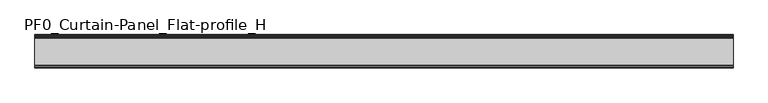
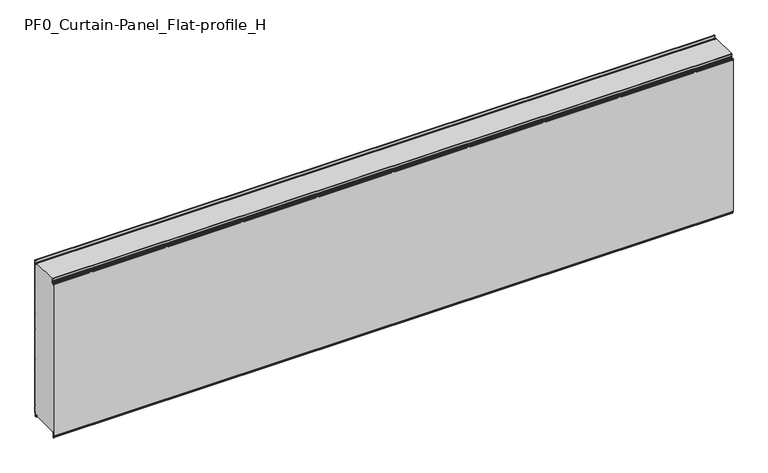
"""IFC4 building model written with IfcOpenShell, lengths in millimetres: plate geometry, PF0_Curtain-Panel_Flat-profile_H."""

from ifc_helpers import new_model, si_unit, point, frame, frame_2d, origin, place, context, project, spatial, polyline, circle_curve, trimmed, segment, composite_curve, outline, extrude, source, transform, mapped, element, save
from ifc_brep_helpers import plane_surface, cylinder_surface, revolved_surface, advanced_brep


def pf0_curtain_panel_flat_profile_h_5148ccc6(model_context):
    return source(origin(), model_context, "Body", "SolidModel", [
        advanced_brep(
        [(-2100.0, -15.878557, 0.0), (-2100.0, -20.0, 0.0), (-2100.0, -20.0, 0.8), (-2100.0, -15.878557, 0.8), (-2100.0, -13.1503208, -1.370137), (-2100.0, -11.728236, -7.529863), (-2100.0, -6.2, -6.9), (-2100.0, -6.2, 8.6), (-2100.0, -3.4, 11.4), (-2100.0, -2.0, 11.4), (-2100.0, -0.8, 12.6), (-2100.0, -0.8, 57.6856412), (-2100.0, -2.482606, 60.6), (-2100.0, -0.8, 63.5143588), (-2100.0, -0.8, 157.6856412), (-2100.0, -2.482606, 160.6), (-2100.0, -0.8, 163.5143588), (-2100.0, -0.8, 257.6856412), (-2100.0, -2.482606, 260.6), (-2100.0, -0.8, 263.5143588), (-2100.0, -0.8, 357.6856412), (-2100.0, -2.482606, 360.6), (-2100.0, -0.8, 363.5143588), (-2100.0, -0.8, 457.6856412), (-2100.0, -2.482606, 460.6), (-2100.0, -0.8, 463.5143588), (-2100.0, -0.8, 557.6856412), (-2100.0, -2.482606, 560.6), (-2100.0, -0.8, 563.5143588), (-2100.0, -0.8, 657.6856412), (-2100.0, -2.482606, 660.6), (-2100.0, -0.8, 663.5143588), (-2100.0, -0.8, 757.6856412), (-2100.0, -2.482606, 760.6), (-2100.0, -0.8, 763.5143588), (-2100.0, -0.8, 857.6856412), (-2100.0, -2.482606, 860.6), (-2100.0, -0.8, 863.5143588), (-2100.0, -0.8, 957.6856412), (-2100.0, -2.482606, 960.6), (-2100.0, -0.8, 963.5143588), (-2100.0, -0.8, 1008.1), (-2100.0, -4.2, 1008.1), (-2100.0, -4.2, 991.1), (-2100.0, -13.7270771, 990.2664884), (-2100.0, -14.8636953, 996.7125669), (-2100.0, -16.6363492, 998.2), (-2100.0, -20.0, 998.2), (-2100.0, -20.0, 999.0), (-2100.0, -16.6363492, 999.0), (-2100.0, -14.0758491, 996.8514855), (-2100.0, -12.939231, 990.405407), (-2100.0, -5.0, 991.1), (-2100.0, -5.0, 1008.1), (-2100.0, -2.5, 1010.6), (-2100.0, 0.0, 1008.1), (-2100.0, 0.0, 963.2999995), (-2100.0, -1.5588455, 960.6), (-2100.0, 0.0, 957.9000005), (-2100.0, 0.0, 863.2999995), (-2100.0, -1.5588455, 860.6), (-2100.0, 0.0, 857.9000005), (-2100.0, 0.0, 763.2999995), (-2100.0, -1.5588455, 760.6), (-2100.0, 0.0, 757.9000005), (-2100.0, 0.0, 663.2999995), (-2100.0, -1.5588455, 660.6), (-2100.0, 0.0, 657.9000005), (-2100.0, 0.0, 563.2999995), (-2100.0, -1.5588455, 560.6), (-2100.0, 0.0, 557.9000005), (-2100.0, 0.0, 463.2999995), (-2100.0, -1.5588455, 460.6), (-2100.0, 0.0, 457.9000005), (-2100.0, 0.0, 363.2999995), (-2100.0, -1.5588455, 360.6), (-2100.0, 0.0, 357.9000005), (-2100.0, 0.0, 263.2999995), (-2100.0, -1.5588455, 260.6), (-2100.0, 0.0, 257.9000005), (-2100.0, 0.0, 163.2999995), (-2100.0, -1.5588455, 160.6), (-2100.0, 0.0, 157.9000005), (-2100.0, 0.0, 63.2999995), (-2100.0, -1.5588455, 60.6), (-2100.0, 0.0, 57.9000005), (-2100.0, 0.0, 12.6), (-2100.0, -2.0, 10.6), (-2100.0, -3.4, 10.6), (-2100.0, -5.4, 8.6), (-2100.0, -5.4, -6.9), (-2100.0, -12.5077322, -7.7098239), (-2100.0, -13.929817, -1.5500979), (2100.0, -15.878557, 0.0), (2100.0, -13.9298169, -1.5500978), (2100.0, -12.507732, -7.7098239), (2100.0, -5.4, -6.9), (2100.0, -5.4, 8.6), (2100.0, -3.4, 10.6), (2100.0, -2.0, 10.6), (2100.0, 0.0, 12.6), (2100.0, 0.0, 57.9000005), (2100.0, -1.5588455, 60.6), (2100.0, 0.0, 63.2999995), (2100.0, 0.0, 157.9000005), (2100.0, -1.5588455, 160.6), (2100.0, 0.0, 163.2999995), (2100.0, 0.0, 257.9000005), (2100.0, -1.5588455, 260.6), (2100.0, 0.0, 263.2999995), (2100.0, 0.0, 357.9000005), (2100.0, -1.5588455, 360.6), (2100.0, 0.0, 363.2999995), (2100.0, 0.0, 457.9000005), (2100.0, -1.5588455, 460.6), (2100.0, 0.0, 463.2999995), (2100.0, 0.0, 557.9000005), (2100.0, -1.5588455, 560.6), (2100.0, 0.0, 563.2999995), (2100.0, 0.0, 657.9000005), (2100.0, -1.5588455, 660.6), (2100.0, 0.0, 663.2999995), (2100.0, 0.0, 757.9000005), (2100.0, -1.5588455, 760.6), (2100.0, 0.0, 763.2999995), (2100.0, 0.0, 857.9000005), (2100.0, -1.5588455, 860.6), (2100.0, 0.0, 863.2999995), (2100.0, 0.0, 957.9000005), (2100.0, -1.5588455, 960.6), (2100.0, 0.0, 963.2999995), (2100.0, 0.0, 1008.1), (2100.0, -2.5, 1010.6), (2100.0, -5.0, 1008.1), (2100.0, -5.0, 991.1), (2100.0, -12.939231, 990.405407), (2100.0, -14.0758491, 996.8514855), (2100.0, -16.6363492, 999.0), (2100.0, -20.0, 999.0), (2100.0, -20.0, 998.2), (2100.0, -16.6363492, 998.2), (2100.0, -14.8636953, 996.7125669), (2100.0, -13.7270772, 990.2664884), (2100.0, -4.2, 991.1), (2100.0, -4.2, 1008.1), (2100.0, -0.8, 1008.1), (2100.0, -0.8, 963.5143588), (2100.0, -2.482606, 960.6), (2100.0, -0.8, 957.6856412), (2100.0, -0.8, 863.5143588), (2100.0, -2.482606, 860.6), (2100.0, -0.8, 857.6856412), (2100.0, -0.8, 763.5143588), (2100.0, -2.482606, 760.6), (2100.0, -0.8, 757.6856412), (2100.0, -0.8, 663.5143588), (2100.0, -2.482606, 660.6), (2100.0, -0.8, 657.6856412), (2100.0, -0.8, 563.5143588), (2100.0, -2.482606, 560.6), (2100.0, -0.8, 557.6856412), (2100.0, -0.8, 463.5143588), (2100.0, -2.482606, 460.6), (2100.0, -0.8, 457.6856412), (2100.0, -0.8, 363.5143588), (2100.0, -2.482606, 360.6), (2100.0, -0.8, 357.6856412), (2100.0, -0.8, 263.5143588), (2100.0, -2.482606, 260.6), (2100.0, -0.8, 257.6856412), (2100.0, -0.8, 163.5143588), (2100.0, -2.482606, 160.6), (2100.0, -0.8, 157.6856412), (2100.0, -0.8, 63.5143588), (2100.0, -2.482606, 60.6), (2100.0, -0.8, 57.6856412), (2100.0, -0.8, 12.6), (2100.0, -2.0, 11.4), (2100.0, -3.4, 11.4), (2100.0, -6.2, 8.6), (2100.0, -6.2, -6.9), (2100.0, -11.7282362, -7.529863), (2100.0, -13.150321, -1.370137), (2100.0, -15.878557, 0.8), (2100.0, -20.0, 0.8), (2100.0, -20.0, 0.0)],
        [
            (0, 1),
            (1, 2),
            (2, 3),
            (3, 4, circle_curve(frame((-2100.0, -15.878557, -2.0), z_axis=(-1.0, 0.0, 0.0), x_axis=(0.0, 0.0, 1.0)), 2.8)),
            (4, 5),
            (5, 6, circle_curve(frame((-2100.0, -9.0, -6.9), z_axis=(1.0, 0.0, 0.0), x_axis=(0.0, 0.0, 1.0)), 2.8)),
            (6, 7),
            (7, 8, circle_curve(frame((-2100.0, -3.4, 8.6), z_axis=(-1.0, 0.0, 0.0), x_axis=(0.0, 0.0, 1.0)), 2.8)),
            (8, 9),
            (9, 10, circle_curve(frame((-2100.0, -2.0, 12.6), z_axis=(1.0, 0.0, 0.0), x_axis=(0.0, 0.0, 1.0)), 1.2)),
            (10, 11),
            (11, 12),
            (12, 13),
            (13, 14),
            (14, 15),
            (15, 16),
            (16, 17),
            (17, 18),
            (18, 19),
            (19, 20),
            (20, 21),
            (21, 22),
            (22, 23),
            (23, 24),
            (24, 25),
            (25, 26),
            (26, 27),
            (27, 28),
            (28, 29),
            (29, 30),
            (30, 31),
            (31, 32),
            (32, 33),
            (33, 34),
            (34, 35),
            (35, 36),
            (36, 37),
            (37, 38),
            (38, 39),
            (39, 40),
            (40, 41),
            (41, 42, circle_curve(frame((-2100.0, -2.5, 1008.1), z_axis=(1.0, 0.0, 0.0), x_axis=(0.0, 0.0, 1.0)), 1.7)),
            (42, 43),
            (43, 44, circle_curve(frame((-2100.0, -9.0, 991.1), z_axis=(-1.0, 0.0, 0.0), x_axis=(0.0, 0.0, 1.0)), 4.8)),
            (44, 45),
            (45, 46, circle_curve(frame((-2100.0, -16.6363492, 996.4), z_axis=(1.0, 0.0, 0.0), x_axis=(0.0, 0.0, 1.0)), 1.8)),
            (46, 47),
            (47, 48),
            (48, 49),
            (49, 50, circle_curve(frame((-2100.0, -16.6363492, 996.4), z_axis=(-1.0, 0.0, 0.0), x_axis=(0.0, 0.0, 1.0)), 2.6)),
            (50, 51),
            (51, 52, circle_curve(frame((-2100.0, -9.0, 991.1), z_axis=(1.0, 0.0, 0.0), x_axis=(0.0, 0.0, 1.0)), 4.0)),
            (52, 53),
            (53, 54, circle_curve(frame((-2100.0, -2.5, 1008.1), z_axis=(-1.0, 0.0, 0.0), x_axis=(0.0, 0.0, 1.0)), 2.5)),
            (54, 55, circle_curve(frame((-2100.0, -2.5, 1008.1), z_axis=(-1.0, 0.0, 0.0), x_axis=(0.0, 0.0, 1.0)), 2.5)),
            (55, 56),
            (56, 57),
            (57, 58),
            (58, 59),
            (59, 60),
            (60, 61),
            (61, 62),
            (62, 63),
            (63, 64),
            (64, 65),
            (65, 66),
            (66, 67),
            (67, 68),
            (68, 69),
            (69, 70),
            (70, 71),
            (71, 72),
            (72, 73),
            (73, 74),
            (74, 75),
            (75, 76),
            (76, 77),
            (77, 78),
            (78, 79),
            (79, 80),
            (80, 81),
            (81, 82),
            (82, 83),
            (83, 84),
            (84, 85),
            (85, 86),
            (86, 87, circle_curve(frame((-2100.0, -2.0, 12.6), z_axis=(-1.0, 0.0, 0.0), x_axis=(0.0, 0.0, 1.0)), 2.0)),
            (87, 88),
            (88, 89, circle_curve(frame((-2100.0, -3.4, 8.6), z_axis=(1.0, 0.0, 0.0), x_axis=(0.0, 0.0, 1.0)), 2.0)),
            (89, 90),
            (90, 91, circle_curve(frame((-2100.0, -9.0, -6.9), z_axis=(-1.0, 0.0, 0.0), x_axis=(0.0, 0.0, 1.0)), 3.6)),
            (91, 92),
            (92, 0, circle_curve(frame((-2100.0, -15.878557, -2.0), z_axis=(1.0, 0.0, 0.0), x_axis=(0.0, 0.0, 1.0)), 2.0)),
            (93, 94, circle_curve(frame((2100.0, -15.878557, -2.0), z_axis=(-1.0, 0.0, 0.0), x_axis=(0.0, 0.0, 1.0)), 2.0)),
            (94, 95),
            (95, 96, circle_curve(frame((2100.0, -9.0, -6.9), z_axis=(1.0, 0.0, 0.0), x_axis=(0.0, 0.0, 1.0)), 3.6)),
            (96, 97),
            (97, 98, circle_curve(frame((2100.0, -3.4, 8.6), z_axis=(-1.0, 0.0, 0.0), x_axis=(0.0, 0.0, 1.0)), 2.0)),
            (98, 99),
            (99, 100, circle_curve(frame((2100.0, -2.0, 12.6), z_axis=(1.0, 0.0, 0.0), x_axis=(0.0, 0.0, 1.0)), 2.0)),
            (100, 101),
            (101, 102),
            (102, 103),
            (103, 104),
            (104, 105),
            (105, 106),
            (106, 107),
            (107, 108),
            (108, 109),
            (109, 110),
            (110, 111),
            (111, 112),
            (112, 113),
            (113, 114),
            (114, 115),
            (115, 116),
            (116, 117),
            (117, 118),
            (118, 119),
            (119, 120),
            (120, 121),
            (121, 122),
            (122, 123),
            (123, 124),
            (124, 125),
            (125, 126),
            (126, 127),
            (127, 128),
            (128, 129),
            (129, 130),
            (130, 131),
            (131, 132, circle_curve(frame((2100.0, -2.5, 1008.1), z_axis=(1.0, 0.0, 0.0), x_axis=(0.0, 0.0, 1.0)), 2.5)),
            (132, 133, circle_curve(frame((2100.0, -2.5, 1008.1), z_axis=(1.0, 0.0, 0.0), x_axis=(0.0, 0.0, 1.0)), 2.5)),
            (133, 134),
            (134, 135, circle_curve(frame((2100.0, -9.0, 991.1), z_axis=(-1.0, 0.0, 0.0), x_axis=(0.0, 0.0, 1.0)), 4.0)),
            (135, 136),
            (136, 137, circle_curve(frame((2100.0, -16.6363492, 996.4), z_axis=(1.0, 0.0, 0.0), x_axis=(0.0, 0.0, 1.0)), 2.6)),
            (137, 138),
            (138, 139),
            (139, 140),
            (140, 141, circle_curve(frame((2100.0, -16.6363492, 996.4), z_axis=(-1.0, 0.0, 0.0), x_axis=(0.0, 0.0, 1.0)), 1.8)),
            (141, 142),
            (142, 143, circle_curve(frame((2100.0, -9.0, 991.1), z_axis=(1.0, 0.0, 0.0), x_axis=(0.0, 0.0, 1.0)), 4.8)),
            (143, 144),
            (144, 145, circle_curve(frame((2100.0, -2.5, 1008.1), z_axis=(-1.0, 0.0, 0.0), x_axis=(0.0, 0.0, 1.0)), 1.7)),
            (145, 146),
            (146, 147),
            (147, 148),
            (148, 149),
            (149, 150),
            (150, 151),
            (151, 152),
            (152, 153),
            (153, 154),
            (154, 155),
            (155, 156),
            (156, 157),
            (157, 158),
            (158, 159),
            (159, 160),
            (160, 161),
            (161, 162),
            (162, 163),
            (163, 164),
            (164, 165),
            (165, 166),
            (166, 167),
            (167, 168),
            (168, 169),
            (169, 170),
            (170, 171),
            (171, 172),
            (172, 173),
            (173, 174),
            (174, 175),
            (175, 176),
            (176, 177, circle_curve(frame((2100.0, -2.0, 12.6), z_axis=(-1.0, 0.0, 0.0), x_axis=(0.0, 0.0, 1.0)), 1.2)),
            (177, 178),
            (178, 179, circle_curve(frame((2100.0, -3.4, 8.6), z_axis=(1.0, 0.0, 0.0), x_axis=(0.0, 0.0, 1.0)), 2.8)),
            (179, 180),
            (180, 181, circle_curve(frame((2100.0, -9.0, -6.9), z_axis=(-1.0, 0.0, 0.0), x_axis=(0.0, 0.0, 1.0)), 2.8)),
            (181, 182),
            (182, 183, circle_curve(frame((2100.0, -15.878557, -2.0), z_axis=(1.0, 0.0, 0.0), x_axis=(0.0, 0.0, 1.0)), 2.8)),
            (183, 184),
            (184, 185),
            (185, 93),
            (0, 93),
            (185, 1),
            (184, 2),
            (183, 3),
            (182, 4),
            (181, 5),
            (180, 6),
            (179, 7),
            (178, 8),
            (177, 9),
            (176, 10),
            (175, 11),
            (174, 12),
            (173, 13),
            (172, 14),
            (171, 15),
            (170, 16),
            (169, 17),
            (168, 18),
            (167, 19),
            (166, 20),
            (165, 21),
            (164, 22),
            (163, 23),
            (162, 24),
            (161, 25),
            (160, 26),
            (159, 27),
            (158, 28),
            (157, 29),
            (156, 30),
            (155, 31),
            (154, 32),
            (153, 33),
            (152, 34),
            (151, 35),
            (150, 36),
            (149, 37),
            (148, 38),
            (147, 39),
            (146, 40),
            (145, 41),
            (144, 42),
            (143, 43),
            (142, 44),
            (141, 45),
            (140, 46),
            (139, 47),
            (138, 48),
            (137, 49),
            (136, 50),
            (135, 51),
            (134, 52),
            (133, 53),
            (131, 55),
            (130, 56),
            (129, 57),
            (128, 58),
            (127, 59),
            (126, 60),
            (125, 61),
            (124, 62),
            (123, 63),
            (122, 64),
            (121, 65),
            (120, 66),
            (119, 67),
            (118, 68),
            (117, 69),
            (116, 70),
            (115, 71),
            (114, 72),
            (113, 73),
            (112, 74),
            (111, 75),
            (110, 76),
            (109, 77),
            (108, 78),
            (107, 79),
            (106, 80),
            (105, 81),
            (104, 82),
            (103, 83),
            (102, 84),
            (101, 85),
            (100, 86),
            (99, 87),
            (98, 88),
            (97, 89),
            (96, 90),
            (95, 91),
            (94, 92),
        ],
        [
            plane_surface(frame((-2100.0, 0.0, 0.0), z_axis=(-1.0, 0.0, 0.0), x_axis=(0.0, 1.0, 0.0))),
            plane_surface(frame((2100.0, 0.0, 0.0), z_axis=(1.0, 0.0, 0.0), x_axis=(0.0, 1.0, 0.0))),
            plane_surface(frame((-2100.0, -15.878557, 0.0), z_axis=(0.0, 0.0, -1.0), x_axis=(1.0, 0.0, 0.0))),
            plane_surface(frame((-2100.0, -20.0, 0.0), z_axis=(0.0, -1.0, 0.0), x_axis=(1.0, 0.0, 0.0))),
            plane_surface(frame((-2100.0, -20.0, 0.8), z_axis=(0.0, 0.0, 1.0), x_axis=(1.0, 0.0, 0.0))),
            cylinder_surface(frame((-2100.0, -15.878557, -2.0), z_axis=(-1.0, 0.0, 0.0), x_axis=(0.0, 0.0, 1.0)), 2.8),
            plane_surface(frame((-2100.0, -13.150321, -1.370137), z_axis=(0.0, 0.9743700578318181, 0.22495108446242168), x_axis=(1.0, 0.0, 0.0))),
            revolved_surface(polyline([(2100.0, -9.0, -4.1000000000000005), (-2100.0, -9.0, -4.1000000000000005)]), (-2100.0, -9.0, -6.9), (1.0, 0.0, 0.0)),
            plane_surface(frame((-2100.0, -6.2, -6.9), z_axis=(0.0, -1.0, 0.0), x_axis=(1.0, 0.0, 0.0))),
            cylinder_surface(frame((-2100.0, -3.4, 8.6), z_axis=(-1.0, 0.0, 0.0), x_axis=(0.0, 0.0, 1.0)), 2.8),
            plane_surface(frame((-2100.0, -3.4, 11.4), z_axis=(0.0, 0.0, 1.0), x_axis=(1.0, 0.0, 0.0))),
            revolved_surface(polyline([(2100.0, -2.0, 13.799999999999999), (-2100.0, -2.0, 13.799999999999999)]), (-2100.0, -2.0, 12.6), (1.0, 0.0, 0.0)),
            plane_surface(frame((-2100.0, -0.8, 12.6), z_axis=(0.0, -1.0, 0.0), x_axis=(1.0, 0.0, 0.0))),
            plane_surface(frame((-2100.0, -0.8, 57.6856412), z_axis=(0.0, -0.8660253865035757, -0.5000000299313314), x_axis=(1.0, 0.0, 0.0))),
            plane_surface(frame((-2100.0, -2.482606, 60.6), z_axis=(0.0, -0.8660253865035789, 0.5000000299313261), x_axis=(1.0, 0.0, 0.0))),
            plane_surface(frame((-2100.0, -0.8, 63.5143588), z_axis=(0.0, -1.0, 0.0), x_axis=(1.0, 0.0, 0.0))),
            plane_surface(frame((-2100.0, -0.8, 157.6856412), z_axis=(0.0, -0.8660253865035755, -0.5000000299313319), x_axis=(1.0, 0.0, 0.0))),
            plane_surface(frame((-2100.0, -2.482606, 160.6), z_axis=(0.0, -0.8660253865035777, 0.5000000299313279), x_axis=(1.0, 0.0, 0.0))),
            plane_surface(frame((-2100.0, -0.8, 163.5143588), z_axis=(0.0, -1.0, 0.0), x_axis=(1.0, 0.0, 0.0))),
            plane_surface(frame((-2100.0, -0.8, 257.6856412), z_axis=(0.0, -0.8660253865035755, -0.5000000299313319), x_axis=(1.0, 0.0, 0.0))),
            plane_surface(frame((-2100.0, -2.482606, 260.6), z_axis=(0.0, -0.8660253865035777, 0.5000000299313279), x_axis=(1.0, 0.0, 0.0))),
            plane_surface(frame((-2100.0, -0.8, 263.5143588), z_axis=(0.0, -1.0, 0.0), x_axis=(1.0, 0.0, 0.0))),
            plane_surface(frame((-2100.0, -0.8, 357.6856412), z_axis=(0.0, -0.8660253865035754, -0.500000029931332), x_axis=(1.0, 0.0, 0.0))),
            plane_surface(frame((-2100.0, -2.482606, 360.6), z_axis=(0.0, -0.8660253865035789, 0.5000000299313261), x_axis=(1.0, 0.0, 0.0))),
            plane_surface(frame((-2100.0, -0.8, 363.5143588), z_axis=(0.0, -1.0, 0.0), x_axis=(1.0, 0.0, 0.0))),
            plane_surface(frame((-2100.0, -0.8, 457.6856412), z_axis=(0.0, -0.8660253865035755, -0.5000000299313319), x_axis=(1.0, 0.0, 0.0))),
            plane_surface(frame((-2100.0, -2.482606, 460.6), z_axis=(0.0, -0.8660253865035785, 0.5000000299313266), x_axis=(1.0, 0.0, 0.0))),
            plane_surface(frame((-2100.0, -0.8, 463.5143588), z_axis=(0.0, -1.0, 0.0), x_axis=(1.0, 0.0, 0.0))),
            plane_surface(frame((-2100.0, -0.8, 557.6856412), z_axis=(0.0, -0.8660253865035755, -0.500000029931332), x_axis=(1.0, 0.0, 0.0))),
            plane_surface(frame((-2100.0, -2.482606, 560.6), z_axis=(0.0, -0.8660253865035789, 0.500000029931326), x_axis=(1.0, 0.0, 0.0))),
            plane_surface(frame((-2100.0, -0.8, 563.5143588), z_axis=(0.0, -1.0, 0.0), x_axis=(1.0, 0.0, 0.0))),
            plane_surface(frame((-2100.0, -0.8, 657.6856412), z_axis=(0.0, -0.8660253865035755, -0.5000000299313317), x_axis=(1.0, 0.0, 0.0))),
            plane_surface(frame((-2100.0, -2.482606, 660.6), z_axis=(0.0, -0.8660253865035772, 0.5000000299313291), x_axis=(1.0, 0.0, 0.0))),
            plane_surface(frame((-2100.0, -0.8, 663.5143588), z_axis=(0.0, -1.0, 0.0), x_axis=(1.0, 0.0, 0.0))),
            plane_surface(frame((-2100.0, -0.8, 757.6856412), z_axis=(0.0, -0.8660253865035755, -0.5000000299313319), x_axis=(1.0, 0.0, 0.0))),
            plane_surface(frame((-2100.0, -2.482606, 760.6), z_axis=(0.0, -0.8660253865035771, 0.5000000299313291), x_axis=(1.0, 0.0, 0.0))),
            plane_surface(frame((-2100.0, -0.8, 763.5143588), z_axis=(0.0, -1.0, 0.0), x_axis=(1.0, 0.0, 0.0))),
            plane_surface(frame((-2100.0, -0.8, 857.6856412), z_axis=(0.0, -0.8660253865035755, -0.5000000299313319), x_axis=(1.0, 0.0, 0.0))),
            plane_surface(frame((-2100.0, -2.482606, 860.6), z_axis=(0.0, -0.8660253865035775, 0.5000000299313283), x_axis=(1.0, 0.0, 0.0))),
            plane_surface(frame((-2100.0, -0.8, 863.5143588), z_axis=(0.0, -1.0, 0.0), x_axis=(1.0, 0.0, 0.0))),
            plane_surface(frame((-2100.0, -0.8, 957.6856412), z_axis=(0.0, -0.8660253865035755, -0.500000029931332), x_axis=(1.0, 0.0, 0.0))),
            plane_surface(frame((-2100.0, -2.482606, 960.6), z_axis=(0.0, -0.8660253865035771, 0.5000000299313291), x_axis=(1.0, 0.0, 0.0))),
            plane_surface(frame((-2100.0, -0.8, 963.5143588), z_axis=(0.0, -1.0, 0.0), x_axis=(1.0, 0.0, 0.0))),
            revolved_surface(polyline([(2100.0, -2.5, 1009.8000000000001), (-2100.0, -2.5, 1009.8000000000001)]), (-2100.0, -2.5, 1008.1), (1.0, 0.0, 0.0)),
            plane_surface(frame((-2100.0, -4.2, 1008.1), z_axis=(0.0, 1.0, 0.0), x_axis=(1.0, 0.0, 0.0))),
            cylinder_surface(frame((-2100.0, -9.0, 991.1), z_axis=(-1.0, 0.0, 0.0), x_axis=(0.0, 0.0, 1.0)), 4.8),
            plane_surface(frame((-2100.0, -13.7270772, 990.2664884), z_axis=(0.0, -0.9848077391954005, -0.17364825602592165), x_axis=(1.0, 0.0, 0.0))),
            revolved_surface(polyline([(2100.0, -16.6363492, 998.1999999999999), (-2100.0, -16.6363492, 998.1999999999999)]), (-2100.0, -16.6363492, 996.4), (1.0, 0.0, 0.0)),
            plane_surface(frame((-2100.0, -16.6363492, 998.2), z_axis=(0.0, 0.0, -1.0), x_axis=(1.0, 0.0, 0.0))),
            plane_surface(frame((-2100.0, -20.0, 998.2), z_axis=(0.0, -1.0, 0.0), x_axis=(1.0, 0.0, 0.0))),
            plane_surface(frame((-2100.0, -20.0, 999.0), z_axis=(0.0, 0.0, 1.0), x_axis=(1.0, 0.0, 0.0))),
            cylinder_surface(frame((-2100.0, -16.6363492, 996.4), z_axis=(-1.0, 0.0, 0.0), x_axis=(0.0, 0.0, 1.0)), 2.6),
            plane_surface(frame((-2100.0, -14.0758491, 996.8514855), z_axis=(0.0, 0.9848077391954003, 0.1736482560259224), x_axis=(1.0, 0.0, 0.0))),
            revolved_surface(polyline([(2100.0, -9.0, 995.1), (-2100.0, -9.0, 995.1)]), (-2100.0, -9.0, 991.1), (1.0, 0.0, 0.0)),
            plane_surface(frame((-2100.0, -5.0, 991.1), z_axis=(0.0, -1.0, 0.0), x_axis=(1.0, 0.0, 0.0))),
            cylinder_surface(frame((-2100.0, -2.5, 1008.1), z_axis=(-1.0, 0.0, 0.0), x_axis=(0.0, 0.0, 1.0)), 2.5),
            plane_surface(frame((-2100.0, 0.0, 1008.1), z_axis=(0.0, 1.0, 0.0), x_axis=(1.0, 0.0, 0.0))),
            plane_surface(frame((-2100.0, 0.0, 963.2999995), z_axis=(0.0, 0.8660253865035786, -0.5000000299313263), x_axis=(1.0, 0.0, 0.0))),
            plane_surface(frame((-2100.0, -1.5588455, 960.6), z_axis=(0.0, 0.8660253865035755, 0.5000000299313319), x_axis=(1.0, 0.0, 0.0))),
            plane_surface(frame((-2100.0, 0.0, 957.9000005), z_axis=(0.0, 1.0, 0.0), x_axis=(1.0, 0.0, 0.0))),
            plane_surface(frame((-2100.0, 0.0, 863.2999995), z_axis=(0.0, 0.8660253865035786, -0.5000000299313263), x_axis=(1.0, 0.0, 0.0))),
            plane_surface(frame((-2100.0, -1.5588455, 860.6), z_axis=(0.0, 0.8660253865035755, 0.5000000299313319), x_axis=(1.0, 0.0, 0.0))),
            plane_surface(frame((-2100.0, 0.0, 857.9000005), z_axis=(0.0, 1.0, 0.0), x_axis=(1.0, 0.0, 0.0))),
            plane_surface(frame((-2100.0, 0.0, 763.2999995), z_axis=(0.0, 0.8660253865035786, -0.5000000299313263), x_axis=(1.0, 0.0, 0.0))),
            plane_surface(frame((-2100.0, -1.5588455, 760.6), z_axis=(0.0, 0.8660253865035755, 0.5000000299313319), x_axis=(1.0, 0.0, 0.0))),
            plane_surface(frame((-2100.0, 0.0, 757.9000005), z_axis=(0.0, 1.0, 0.0), x_axis=(1.0, 0.0, 0.0))),
            plane_surface(frame((-2100.0, 0.0, 663.2999995), z_axis=(0.0, 0.8660253865035786, -0.5000000299313263), x_axis=(1.0, 0.0, 0.0))),
            plane_surface(frame((-2100.0, -1.5588455, 660.6), z_axis=(0.0, 0.8660253865035755, 0.5000000299313319), x_axis=(1.0, 0.0, 0.0))),
            plane_surface(frame((-2100.0, 0.0, 657.9000005), z_axis=(0.0, 1.0, 0.0), x_axis=(1.0, 0.0, 0.0))),
            plane_surface(frame((-2100.0, 0.0, 563.2999995), z_axis=(0.0, 0.8660253865035786, -0.5000000299313263), x_axis=(1.0, 0.0, 0.0))),
            plane_surface(frame((-2100.0, -1.5588455, 560.6), z_axis=(0.0, 0.8660253865035755, 0.5000000299313319), x_axis=(1.0, 0.0, 0.0))),
            plane_surface(frame((-2100.0, 0.0, 557.9000005), z_axis=(0.0, 1.0, 0.0), x_axis=(1.0, 0.0, 0.0))),
            plane_surface(frame((-2100.0, 0.0, 463.2999995), z_axis=(0.0, 0.8660253865035786, -0.5000000299313263), x_axis=(1.0, 0.0, 0.0))),
            plane_surface(frame((-2100.0, -1.5588455, 460.6), z_axis=(0.0, 0.8660253865035755, 0.5000000299313319), x_axis=(1.0, 0.0, 0.0))),
            plane_surface(frame((-2100.0, 0.0, 457.9000005), z_axis=(0.0, 1.0, 0.0), x_axis=(1.0, 0.0, 0.0))),
            plane_surface(frame((-2100.0, 0.0, 363.2999995), z_axis=(0.0, 0.8660253865035786, -0.5000000299313263), x_axis=(1.0, 0.0, 0.0))),
            plane_surface(frame((-2100.0, -1.5588455, 360.6), z_axis=(0.0, 0.8660253865035755, 0.5000000299313319), x_axis=(1.0, 0.0, 0.0))),
            plane_surface(frame((-2100.0, 0.0, 357.9000005), z_axis=(0.0, 1.0, 0.0), x_axis=(1.0, 0.0, 0.0))),
            plane_surface(frame((-2100.0, 0.0, 263.2999995), z_axis=(0.0, 0.8660253865035786, -0.5000000299313263), x_axis=(1.0, 0.0, 0.0))),
            plane_surface(frame((-2100.0, -1.5588455, 260.6), z_axis=(0.0, 0.8660253865035755, 0.5000000299313319), x_axis=(1.0, 0.0, 0.0))),
            plane_surface(frame((-2100.0, 0.0, 257.9000005), z_axis=(0.0, 1.0, 0.0), x_axis=(1.0, 0.0, 0.0))),
            plane_surface(frame((-2100.0, 0.0, 163.2999995), z_axis=(0.0, 0.8660253865035786, -0.5000000299313263), x_axis=(1.0, 0.0, 0.0))),
            plane_surface(frame((-2100.0, -1.5588455, 160.6), z_axis=(0.0, 0.8660253865035755, 0.5000000299313319), x_axis=(1.0, 0.0, 0.0))),
            plane_surface(frame((-2100.0, 0.0, 157.9000005), z_axis=(0.0, 1.0, 0.0), x_axis=(1.0, 0.0, 0.0))),
            plane_surface(frame((-2100.0, 0.0, 63.2999995), z_axis=(0.0, 0.8660253865035786, -0.5000000299313263), x_axis=(1.0, 0.0, 0.0))),
            plane_surface(frame((-2100.0, -1.5588455, 60.6), z_axis=(0.0, 0.8660253865035755, 0.5000000299313319), x_axis=(1.0, 0.0, 0.0))),
            plane_surface(frame((-2100.0, 0.0, 57.9000005), z_axis=(0.0, 1.0, 0.0), x_axis=(1.0, 0.0, 0.0))),
            cylinder_surface(frame((-2100.0, -2.0, 12.6), z_axis=(-1.0, 0.0, 0.0), x_axis=(0.0, 0.0, 1.0)), 2.0),
            plane_surface(frame((-2100.0, -2.0, 10.6), z_axis=(0.0, 0.0, -1.0), x_axis=(1.0, 0.0, 0.0))),
            revolved_surface(polyline([(2100.0, -3.4, 10.6), (-2100.0, -3.4, 10.6)]), (-2100.0, -3.4, 8.6), (1.0, 0.0, 0.0)),
            plane_surface(frame((-2100.0, -5.4, 8.6), z_axis=(0.0, 1.0, 0.0), x_axis=(1.0, 0.0, 0.0))),
            cylinder_surface(frame((-2100.0, -9.0, -6.9), z_axis=(-1.0, 0.0, 0.0), x_axis=(0.0, 0.0, 1.0)), 3.6),
            plane_surface(frame((-2100.0, -12.507732, -7.7098239), z_axis=(0.0, -0.9743700578318182, -0.22495108446242174), x_axis=(1.0, 0.0, 0.0))),
            revolved_surface(polyline([(2100.0, -15.878557, 0.0), (-2100.0, -15.878557, 0.0)]), (-2100.0, -15.878557, -2.0), (1.0, 0.0, 0.0)),
        ],
        [
            (0, [[1, 2, 3, 4, 5, 6, 7, 8, 9, 10, 11, 12, 13, 14, 15, 16, 17, 18, 19, 20, 21, 22, 23, 24, 25, 26, 27, 28, 29, 30, 31, 32, 33, 34, 35, 36, 37, 38, 39, 40, 41, 42, 43, 44, 45, 46, 47, 48, 49, 50, 51, 52, 53, 54, 55, 56, 57, 58, 59, 60, 61, 62, 63, 64, 65, 66, 67, 68, 69, 70, 71, 72, 73, 74, 75, 76, 77, 78, 79, 80, 81, 82, 83, 84, 85, 86, 87, 88, 89, 90, 91, 92, 93]]),
            (1, [[94, 95, 96, 97, 98, 99, 100, 101, 102, 103, 104, 105, 106, 107, 108, 109, 110, 111, 112, 113, 114, 115, 116, 117, 118, 119, 120, 121, 122, 123, 124, 125, 126, 127, 128, 129, 130, 131, 132, 133, 134, 135, 136, 137, 138, 139, 140, 141, 142, 143, 144, 145, 146, 147, 148, 149, 150, 151, 152, 153, 154, 155, 156, 157, 158, 159, 160, 161, 162, 163, 164, 165, 166, 167, 168, 169, 170, 171, 172, 173, 174, 175, 176, 177, 178, 179, 180, 181, 182, 183, 184, 185, 186]]),
            (2, [[-1, 187, -186, 188]]),
            (3, [[-2, -188, -185, 189]]),
            (4, [[-3, -189, -184, 190]]),
            (5, [[-4, -190, -183, 191]]),
            (6, [[-5, -191, -182, 192]]),
            (7, [[-6, -192, -181, 193]]),
            (8, [[-7, -193, -180, 194]]),
            (9, [[-8, -194, -179, 195]]),
            (10, [[-9, -195, -178, 196]]),
            (11, [[-10, -196, -177, 197]]),
            (12, [[-11, -197, -176, 198]]),
            (13, [[-12, -198, -175, 199]]),
            (14, [[-13, -199, -174, 200]]),
            (15, [[-14, -200, -173, 201]]),
            (16, [[-15, -201, -172, 202]]),
            (17, [[-16, -202, -171, 203]]),
            (18, [[-17, -203, -170, 204]]),
            (19, [[-18, -204, -169, 205]]),
            (20, [[-19, -205, -168, 206]]),
            (21, [[-20, -206, -167, 207]]),
            (22, [[-21, -207, -166, 208]]),
            (23, [[-22, -208, -165, 209]]),
            (24, [[-23, -209, -164, 210]]),
            (25, [[-24, -210, -163, 211]]),
            (26, [[-25, -211, -162, 212]]),
            (27, [[-26, -212, -161, 213]]),
            (28, [[-27, -213, -160, 214]]),
            (29, [[-28, -214, -159, 215]]),
            (30, [[-29, -215, -158, 216]]),
            (31, [[-30, -216, -157, 217]]),
            (32, [[-31, -217, -156, 218]]),
            (33, [[-32, -218, -155, 219]]),
            (34, [[-33, -219, -154, 220]]),
            (35, [[-34, -220, -153, 221]]),
            (36, [[-35, -221, -152, 222]]),
            (37, [[-36, -222, -151, 223]]),
            (38, [[-37, -223, -150, 224]]),
            (39, [[-38, -224, -149, 225]]),
            (40, [[-39, -225, -148, 226]]),
            (41, [[-40, -226, -147, 227]]),
            (42, [[-41, -227, -146, 228]]),
            (43, [[-42, -228, -145, 229]]),
            (44, [[-43, -229, -144, 230]]),
            (45, [[-44, -230, -143, 231]]),
            (46, [[-45, -231, -142, 232]]),
            (47, [[-46, -232, -141, 233]]),
            (48, [[-47, -233, -140, 234]]),
            (49, [[-48, -234, -139, 235]]),
            (50, [[-49, -235, -138, 236]]),
            (51, [[-50, -236, -137, 237]]),
            (52, [[-51, -237, -136, 238]]),
            (53, [[-52, -238, -135, 239]]),
            (54, [[-53, -239, -134, 240]]),
            (55, [[-240, -133, -132, 241, -55, -54]]),
            (56, [[-56, -241, -131, 242]]),
            (57, [[-57, -242, -130, 243]]),
            (58, [[-58, -243, -129, 244]]),
            (59, [[-59, -244, -128, 245]]),
            (60, [[-60, -245, -127, 246]]),
            (61, [[-61, -246, -126, 247]]),
            (62, [[-62, -247, -125, 248]]),
            (63, [[-63, -248, -124, 249]]),
            (64, [[-64, -249, -123, 250]]),
            (65, [[-65, -250, -122, 251]]),
            (66, [[-66, -251, -121, 252]]),
            (67, [[-67, -252, -120, 253]]),
            (68, [[-68, -253, -119, 254]]),
            (69, [[-69, -254, -118, 255]]),
            (70, [[-70, -255, -117, 256]]),
            (71, [[-71, -256, -116, 257]]),
            (72, [[-72, -257, -115, 258]]),
            (73, [[-73, -258, -114, 259]]),
            (74, [[-74, -259, -113, 260]]),
            (75, [[-75, -260, -112, 261]]),
            (76, [[-76, -261, -111, 262]]),
            (77, [[-77, -262, -110, 263]]),
            (78, [[-78, -263, -109, 264]]),
            (79, [[-79, -264, -108, 265]]),
            (80, [[-80, -265, -107, 266]]),
            (81, [[-81, -266, -106, 267]]),
            (82, [[-82, -267, -105, 268]]),
            (83, [[-83, -268, -104, 269]]),
            (84, [[-84, -269, -103, 270]]),
            (85, [[-85, -270, -102, 271]]),
            (86, [[-86, -271, -101, 272]]),
            (87, [[-87, -272, -100, 273]]),
            (88, [[-88, -273, -99, 274]]),
            (89, [[-89, -274, -98, 275]]),
            (90, [[-90, -275, -97, 276]]),
            (91, [[-91, -276, -96, 277]]),
            (92, [[-92, -277, -95, 278]]),
            (93, [[-93, -278, -94, -187]]),
        ],
    ),
        extrude(outline(composite_curve([segment(polyline([(-190.0, 0.8), (-193.5, 0.8)]), True, "CONTINUOUS"), segment(trimmed(circle_curve(frame_2d((-193.5, -2.0)), 2.8), [point((-193.5, 0.8))], [point((-196.3, -2.0))], True, "CARTESIAN"), True, "CONTINUOUS"), segment(polyline([(-196.3, -2.0), (-196.3, -32.8700312)]), True, "CONTINUOUS"), segment(trimmed(circle_curve(frame_2d((-196.6, -32.8700312)), 0.3), [point((-196.3, -32.8700312))], [point((-196.9, -32.8700312))], False, "CARTESIAN"), True, "CONTINUOUS"), segment(polyline([(-196.9, -32.8700312), (-196.9, -26.9)]), True, "CONTINUOUS"), segment(trimmed(circle_curve(frame_2d((-198.6133333, -26.9)), 1.7133333), [point((-196.9, -26.9))], [point((-198.4, -25.2))], True, "CARTESIAN"), True, "CONTINUOUS"), segment(trimmed(circle_curve(frame_2d((-198.4, -24.4)), 0.8), [point((-198.4, -25.2))], [point((-199.2, -24.4))], False, "CARTESIAN"), True, "CONTINUOUS"), segment(polyline([(-199.2, -24.4), (-199.2, 972.8891513)]), True, "CONTINUOUS"), segment(trimmed(circle_curve(frame_2d((-198.9, 972.8891513)), 0.3), [point((-199.2, 972.8891513))], [point((-198.6, 972.8891513))], False, "CARTESIAN"), True, "CONTINUOUS"), segment(polyline([(-198.6, 972.8891513), (-198.6, 967.0)]), True, "CONTINUOUS"), segment(trimmed(circle_curve(frame_2d((-196.4, 967.0)), 2.2), [point((-198.6, 967.0))], [point((-194.2, 967.0))], True, "CARTESIAN"), True, "CONTINUOUS"), segment(polyline([(-194.2, 967.0), (-194.2, 967.8276204)]), True, "CONTINUOUS"), segment(trimmed(circle_curve(frame_2d((-188.8276204, 967.8276204)), 5.3723796), [point((-194.2, 967.8276204))], [point((-188.8276204, 973.2))], False, "CARTESIAN"), True, "CONTINUOUS"), segment(polyline([(-188.8276204, 973.2), (-188.0, 973.2)]), True, "CONTINUOUS"), segment(trimmed(circle_curve(frame_2d((-188.0, 975.0)), 1.8), [point((-188.0, 973.2))], [point((-186.2, 975.0))], True, "CARTESIAN"), True, "CONTINUOUS"), segment(polyline([(-186.2, 975.0), (-186.2, 981.1686302), (-184.3686285, 983.0), (-186.2, 984.8313698), (-186.2, 996.4)]), True, "CONTINUOUS"), segment(trimmed(circle_curve(frame_2d((-184.4, 996.4)), 1.8), [point((-186.2, 996.4))], [point((-184.4, 998.2))], False, "CARTESIAN"), True, "CONTINUOUS"), segment(polyline([(-184.4, 998.2), (-183.0, 998.2), (-183.0, 999.0), (-20.0, 999.0), (-20.0, 998.2), (-16.6363492, 998.2)]), True, "CONTINUOUS"), segment(trimmed(circle_curve(frame_2d((-16.6363492, 996.4)), 1.8), [point((-16.6363492, 998.2))], [point((-14.8636953, 996.7125669))], False, "CARTESIAN"), True, "CONTINUOUS"), segment(polyline([(-14.8636953, 996.7125669), (-13.7270772, 990.2664884)]), True, "CONTINUOUS"), segment(trimmed(circle_curve(frame_2d((-9.0, 991.1)), 4.8), [point((-13.7270772, 990.2664884))], [point((-4.2, 991.1))], True, "CARTESIAN"), True, "CONTINUOUS"), segment(polyline([(-4.2, 991.1), (-4.2, 1008.1)]), True, "CONTINUOUS"), segment(trimmed(circle_curve(frame_2d((-2.5, 1008.1)), 1.7), [point((-4.2, 1008.1))], [point((-0.8, 1008.1))], False, "CARTESIAN"), True, "CONTINUOUS"), segment(polyline([(-0.8, 1008.1), (-0.8, 963.5143588), (-2.482606, 960.6), (-0.8, 957.6856412), (-0.8, 863.5143588), (-2.482606, 860.6), (-0.8, 857.6856412), (-0.8, 763.5143588), (-2.482606, 760.6), (-0.8, 757.6856412), (-0.8, 663.5143588), (-2.482606, 660.6), (-0.8, 657.6856412), (-0.8, 563.5143588), (-2.482606, 560.6), (-0.8, 557.6856412), (-0.8, 463.5143588), (-2.482606, 460.6), (-0.8, 457.6856412), (-0.8, 363.5143588), (-2.482606, 360.6), (-0.8, 357.6856412), (-0.8, 263.5143588), (-2.482606, 260.6), (-0.8, 257.6856412), (-0.8, 163.5143588), (-2.482606, 160.6), (-0.8, 157.6856412), (-0.8, 63.5143588), (-2.482606, 60.6), (-0.8, 57.6856412), (-0.8, 12.6)]), True, "CONTINUOUS"), segment(trimmed(circle_curve(frame_2d((-2.0, 12.6)), 1.2), [point((-0.8, 12.6))], [point((-2.0, 11.4))], False, "CARTESIAN"), True, "CONTINUOUS"), segment(polyline([(-2.0, 11.4), (-3.4, 11.4)]), True, "CONTINUOUS"), segment(trimmed(circle_curve(frame_2d((-3.4, 8.6)), 2.8), [point((-3.4, 11.4))], [point((-6.2, 8.6))], True, "CARTESIAN"), True, "CONTINUOUS"), segment(polyline([(-6.2, 8.6), (-6.2, -6.9)]), True, "CONTINUOUS"), segment(trimmed(circle_curve(frame_2d((-9.0, -6.9)), 2.8), [point((-6.2, -6.9))], [point((-11.7282362, -7.529863))], False, "CARTESIAN"), True, "CONTINUOUS"), segment(polyline([(-11.7282362, -7.529863), (-13.1503208, -1.370137)]), True, "CONTINUOUS"), segment(trimmed(circle_curve(frame_2d((-15.878557, -2.0)), 2.8), [point((-13.1503208, -1.370137))], [point((-15.878557, 0.8))], True, "CARTESIAN"), True, "CONTINUOUS"), segment(polyline([(-15.878557, 0.8), (-20.0, 0.8), (-20.0, 0.0), (-190.0, 0.0), (-190.0, 0.8)]), True, "CONTINUOUS")], self_intersect=False)), frame((-2100.0, 0.0, 0.0), z_axis=(1.0, 0.0, 0.0), x_axis=(0.0, 1.0, 0.0)), (0.0, 0.0, 1.0), 4200.0),
        extrude(outline(composite_curve([segment(polyline([(-190.0, 0.0), (-193.5, 0.0)]), True, "CONTINUOUS"), segment(trimmed(circle_curve(frame_2d((-193.5, -2.0)), 2.0), [point((-193.5, 0.0))], [point((-195.5, -2.0))], True, "CARTESIAN"), True, "CONTINUOUS"), segment(polyline([(-195.5, -2.0), (-195.5, -33.0)]), True, "CONTINUOUS"), segment(trimmed(circle_curve(frame_2d((-196.5, -33.0)), 1.0), [point((-195.5, -33.0))], [point((-197.5, -33.0))], False, "CARTESIAN"), True, "CONTINUOUS"), segment(polyline([(-197.5, -33.0), (-197.5, -26.9)]), True, "CONTINUOUS"), segment(trimmed(circle_curve(frame_2d((-198.4, -26.9)), 0.9), [point((-197.5, -26.9))], [point((-198.4, -26.0))], True, "CARTESIAN"), True, "CONTINUOUS"), segment(trimmed(circle_curve(frame_2d((-198.4, -24.4)), 1.6), [point((-198.4, -26.0))], [point((-200.0, -24.4))], False, "CARTESIAN"), True, "CONTINUOUS"), segment(polyline([(-200.0, -24.4), (-200.0, 973.0)]), True, "CONTINUOUS"), segment(trimmed(circle_curve(frame_2d((-199.0, 973.0)), 1.0), [point((-200.0, 973.0))], [point((-198.0, 973.0))], False, "CARTESIAN"), True, "CONTINUOUS"), segment(polyline([(-198.0, 973.0), (-198.0, 967.0)]), True, "CONTINUOUS"), segment(trimmed(circle_curve(frame_2d((-196.5, 967.0)), 1.5), [point((-198.0, 967.0))], [point((-195.0, 967.0))], True, "CARTESIAN"), True, "CONTINUOUS"), segment(polyline([(-195.0, 967.0), (-195.0, 967.8276204)]), True, "CONTINUOUS"), segment(trimmed(circle_curve(frame_2d((-188.8276204, 967.8276204)), 6.1723796), [point((-195.0, 967.8276204))], [point((-188.8276204, 974.0))], False, "CARTESIAN"), True, "CONTINUOUS"), segment(polyline([(-188.8276204, 974.0), (-188.0, 974.0)]), True, "CONTINUOUS"), segment(trimmed(circle_curve(frame_2d((-188.0, 975.0)), 1.0), [point((-188.0, 974.0))], [point((-187.0, 975.0))], True, "CARTESIAN"), True, "CONTINUOUS"), segment(polyline([(-187.0, 975.0), (-187.0, 981.5000012), (-185.4999999, 983.0), (-187.0, 984.4999988), (-187.0, 996.4)]), True, "CONTINUOUS"), segment(trimmed(circle_curve(frame_2d((-184.4, 996.4)), 2.6), [point((-187.0, 996.4))], [point((-184.4, 999.0))], False, "CARTESIAN"), True, "CONTINUOUS"), segment(polyline([(-184.4, 999.0), (-183.0, 999.0), (-183.0, 998.2), (-184.4, 998.2)]), True, "CONTINUOUS"), segment(trimmed(circle_curve(frame_2d((-184.4, 996.4)), 1.8), [point((-184.4, 998.2))], [point((-186.2, 996.4))], True, "CARTESIAN"), True, "CONTINUOUS"), segment(polyline([(-186.2, 996.4), (-186.2, 984.8313698), (-184.3686285, 983.0), (-186.2, 981.1686302), (-186.2, 975.0)]), True, "CONTINUOUS"), segment(trimmed(circle_curve(frame_2d((-188.0, 975.0)), 1.8), [point((-186.2, 975.0))], [point((-188.0, 973.2))], False, "CARTESIAN"), True, "CONTINUOUS"), segment(polyline([(-188.0, 973.2), (-188.8276204, 973.2)]), True, "CONTINUOUS"), segment(trimmed(circle_curve(frame_2d((-188.8276204, 967.8276204)), 5.3723796), [point((-188.8276204, 973.2))], [point((-194.2, 967.8276204))], True, "CARTESIAN"), True, "CONTINUOUS"), segment(polyline([(-194.2, 967.8276204), (-194.2, 967.0)]), True, "CONTINUOUS"), segment(trimmed(circle_curve(frame_2d((-196.4, 967.0)), 2.2), [point((-194.2, 967.0))], [point((-198.6, 967.0))], False, "CARTESIAN"), True, "CONTINUOUS"), segment(polyline([(-198.6, 967.0), (-198.6, 972.8891513)]), True, "CONTINUOUS"), segment(trimmed(circle_curve(frame_2d((-198.9, 972.8891513)), 0.3), [point((-198.6, 972.8891513))], [point((-199.2, 972.8891513))], True, "CARTESIAN"), True, "CONTINUOUS"), segment(polyline([(-199.2, 972.8891513), (-199.2, -24.4)]), True, "CONTINUOUS"), segment(trimmed(circle_curve(frame_2d((-198.4, -24.4)), 0.8), [point((-199.2, -24.4))], [point((-198.4, -25.2))], True, "CARTESIAN"), True, "CONTINUOUS"), segment(trimmed(circle_curve(frame_2d((-198.6133333, -26.9)), 1.7133333), [point((-198.4, -25.2))], [point((-196.9, -26.9))], False, "CARTESIAN"), True, "CONTINUOUS"), segment(polyline([(-196.9, -26.9), (-196.9, -32.8700312)]), True, "CONTINUOUS"), segment(trimmed(circle_curve(frame_2d((-196.6, -32.8700312)), 0.3), [point((-196.9, -32.8700312))], [point((-196.3, -32.8700312))], True, "CARTESIAN"), True, "CONTINUOUS"), segment(polyline([(-196.3, -32.8700312), (-196.3, -2.0)]), True, "CONTINUOUS"), segment(trimmed(circle_curve(frame_2d((-193.5, -2.0)), 2.8), [point((-196.3, -2.0))], [point((-193.5, 0.8))], False, "CARTESIAN"), True, "CONTINUOUS"), segment(polyline([(-193.5, 0.8), (-190.0, 0.8), (-190.0, 0.0)]), True, "CONTINUOUS")], self_intersect=False)), frame((-2100.0, 0.0, 0.0), z_axis=(1.0, 0.0, 0.0), x_axis=(0.0, 1.0, 0.0)), (0.0, 0.0, 1.0), 4200.0),
    ])


if __name__ == "__main__":
    model = new_model("IFC4")
    model_context = context("Model", 3, world=origin())
    ifc_project = project(units=[si_unit("LENGTHUNIT", "METRE", prefix="MILLI")], contexts=[model_context])
    site = spatial("IfcSite", under=ifc_project)
    building = spatial("IfcBuilding", under=site)
    placement = place(None, origin())
    pf0_curtain_panel_flat_profile_h_shape = pf0_curtain_panel_flat_profile_h_5148ccc6(model_context)
    element("IfcPlate", 1, ObjectType="PF0_Curtain-Panel_Flat-profile_H", at=placement, inside=building, context=model_context, shape_type="MappedRepresentation", body=[
        mapped(pf0_curtain_panel_flat_profile_h_shape, transform((0.0, 0.0, 0.0), x_axis=(1.0, 0.0, 0.0), y_axis=(0.0, 1.0, 0.0), z_axis=(0.0, 0.0, 1.0))),
    ])
    save(model, "model.ifc")
